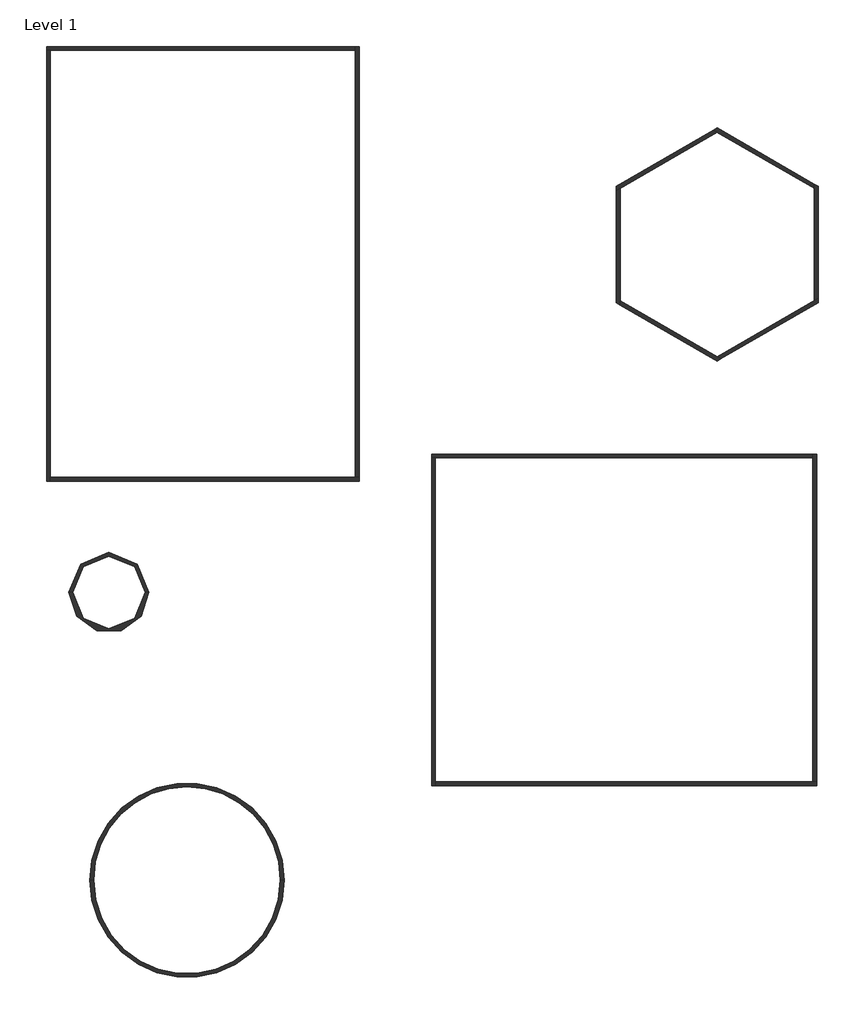
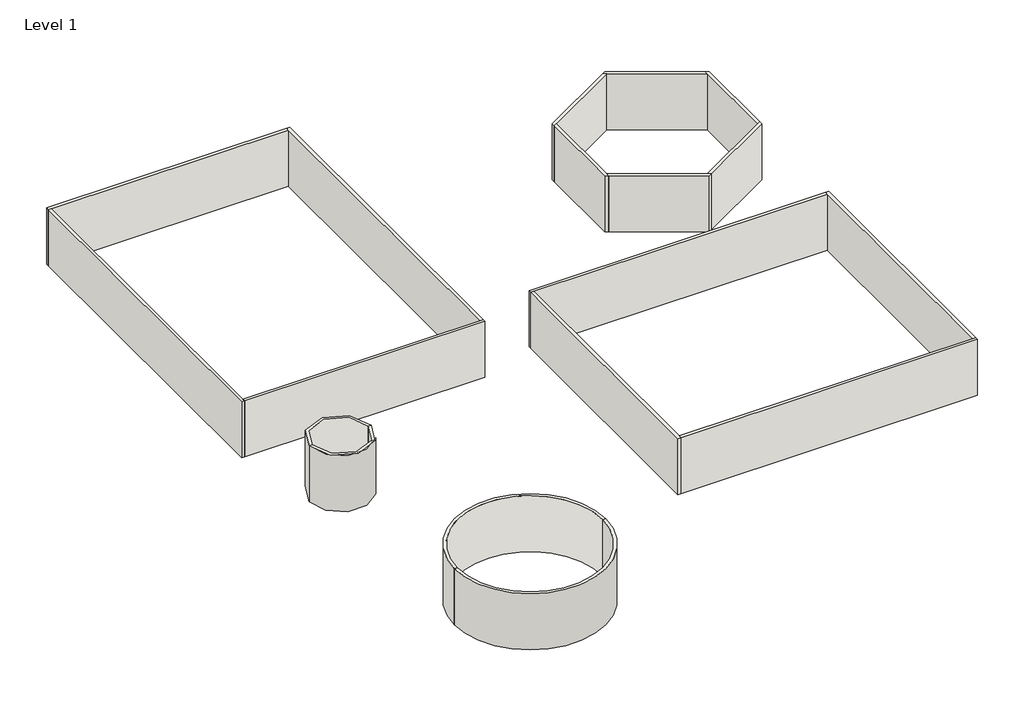
# One storey: 18 walls.
"""IFC4 building model written with IfcOpenShell, lengths in millimetres."""

import ifcopenshell
import ifcopenshell.guid

model = None  # the IFC model being written
_history = None  # IfcOwnerHistory: only IFC2X3 demands one
_inside = {}  # id of a spatial element -> (the spatial element, [elements in it])
_under = {}  # id of a project, library or spatial element -> (it, [spatial elements below it])
_declared = {}  # id of a project -> (the project, [libraries it declares])
_typed = {}  # id of a type object -> (the type object, [elements of that type])
_made_of = {}  # id of a material, layer set ... -> (it, [elements and type objects made of it])


def new_model(schema):
    """Start an empty IFC model of exactly this schema.

    Asked for "IFC4X3", IfcOpenShell would pick the latest addendum, in which some entities
    have other attributes; the version numbers below select the first issue.
    IFC2X3 requires an IfcOwnerHistory on every rooted entity: one is made here for all.
    """
    global model, _history
    if schema == "IFC4X3":
        model = ifcopenshell.file(schema_version=(4, 3, 0, 0))
    else:
        model = ifcopenshell.file(schema=schema)
    _inside.clear()
    _under.clear()
    _declared.clear()
    _typed.clear()
    _made_of.clear()
    _history = None
    if model.schema == "IFC2X3":
        org = make("IfcOrganization", Name="unknown")
        user = make(
            "IfcPersonAndOrganization",
            ThePerson=make("IfcPerson", FamilyName="unknown"),
            TheOrganization=org,
        )
        app = make(
            "IfcApplication",
            ApplicationDeveloper=org,
            Version="unknown",
            ApplicationFullName="unknown",
            ApplicationIdentifier="unknown",
        )
        _history = make(
            "IfcOwnerHistory",
            OwningUser=user,
            OwningApplication=app,
            ChangeAction="ADDED",
            CreationDate=0,
        )
    return model


def make(cls, **values):
    """One entity of the class cls with the attributes given. An attribute that is None is left unset."""
    return model.create_entity(
        cls, **{name: value for name, value in values.items() if value is not None}
    )


def rooted(cls, **values):
    """An entity with a GlobalId (a new one), such as an element, a storey or a relation."""
    return make(cls, GlobalId=ifcopenshell.guid.new(), OwnerHistory=_history, **values)


def si_unit(unit_type, name, prefix=None):
    """IfcSIUnit, for example si_unit("LENGTHUNIT", "METRE", prefix="MILLI")."""
    return make("IfcSIUnit", UnitType=unit_type, Prefix=prefix, Name=name)


def assignment(units):
    """IfcUnitAssignment: the units of a project."""
    return None if units is None else make("IfcUnitAssignment", Units=units)


def point(xyz):
    """IfcCartesianPoint."""
    return None if xyz is None else make("IfcCartesianPoint", Coordinates=xyz)


def direction(xyz):
    """IfcDirection."""
    return None if xyz is None else make("IfcDirection", DirectionRatios=xyz)


def frame(location, z_axis=None, x_axis=None):
    """IfcAxis2Placement3D, a coordinate frame: its origin and axes. An axis left out is left unset."""
    return make(
        "IfcAxis2Placement3D",
        Location=point(location),
        Axis=direction(z_axis),
        RefDirection=direction(x_axis),
    )


def frame_2d(location, x_axis=None):
    """IfcAxis2Placement2D, a coordinate frame in the plane: its origin and x axis."""
    return make(
        "IfcAxis2Placement2D", Location=point(location), RefDirection=direction(x_axis)
    )


def origin():
    """The frame at (0, 0, 0) with its axes left unset."""
    return frame((0.0, 0.0, 0.0))


def origin_with_axes():
    """The frame at (0, 0, 0) with the z axis (0, 0, 1) and the x axis (1, 0, 0) written out."""
    return frame((0.0, 0.0, 0.0), z_axis=(0.0, 0.0, 1.0), x_axis=(1.0, 0.0, 0.0))


def place(relative_to, where):
    """IfcLocalPlacement: puts the frame where relative to a parent placement (None: the world)."""
    return make(
        "IfcLocalPlacement", PlacementRelTo=relative_to, RelativePlacement=where
    )


def context(
    kind, dimensions, precision=None, world=None, true_north=None, identifier=None
):
    """IfcGeometricRepresentationContext, for example the 3D "Model" context."""
    return make(
        "IfcGeometricRepresentationContext",
        ContextIdentifier=identifier,
        ContextType=kind,
        CoordinateSpaceDimension=dimensions,
        Precision=precision,
        WorldCoordinateSystem=world,
        TrueNorth=true_north,
    )


def project(units=None, contexts=None):
    """IfcProject with its units and contexts."""
    return rooted(
        "IfcProject",
        Name="project",
        RepresentationContexts=contexts,
        UnitsInContext=assignment(units),
    )


def spatial(cls, under=None, at=None, **own):
    """A site, building, storey or space (cls), placed at a placement, below another one or the project."""
    s = rooted(cls, ObjectPlacement=at, **own)
    if under is not None:
        _under.setdefault(under.id(), (under, []))[1].append(s)
    return s


def polyline(points):
    """IfcPolyline through the points."""
    return make("IfcPolyline", Points=[point(p) for p in points])


def circle_curve(where, radius):
    """IfcCircle in the frame where."""
    return make("IfcCircle", Position=where, Radius=radius)


def trimmed(basis, trim1, trim2, sense, master):
    """IfcTrimmedCurve: the piece of a basis curve between two trims."""
    return make(
        "IfcTrimmedCurve",
        BasisCurve=basis,
        Trim1=trim1,
        Trim2=trim2,
        SenseAgreement=sense,
        MasterRepresentation=master,
    )


def segment(curve, same_sense, transition):
    """IfcCompositeCurveSegment."""
    return make(
        "IfcCompositeCurveSegment",
        Transition=transition,
        SameSense=same_sense,
        ParentCurve=curve,
    )


def composite_curve(segments, self_intersect=None):
    """IfcCompositeCurve: segments joined end to end."""
    return make("IfcCompositeCurve", Segments=segments, SelfIntersect=self_intersect)


def outline(outer, holes=None, kind="AREA"):
    """IfcArbitraryClosedProfileDef: a profile drawn as a closed curve; with holes, ...WithVoids."""
    if holes is None:
        return make("IfcArbitraryClosedProfileDef", ProfileType=kind, OuterCurve=outer)
    return make(
        "IfcArbitraryProfileDefWithVoids",
        ProfileType=kind,
        OuterCurve=outer,
        InnerCurves=holes,
    )


def extrude(swept, where, along, depth):
    """IfcExtrudedAreaSolid: the profile swept, set in the frame where, extruded along a direction by depth."""
    return make(
        "IfcExtrudedAreaSolid",
        SweptArea=swept,
        Position=where,
        ExtrudedDirection=direction(along),
        Depth=depth,
    )


def faces_of(points, faces, orient=None, outer=None):
    """IfcFace entities. A face is a list of loops; a loop is a list of indices into points, from 0.

    orient and outer hold one flag for each loop. By default every Orientation is true, the
    first loop of a face is its IfcFaceOuterBound and the others are IfcFaceBound.
    """
    made = []
    for i, loops in enumerate(faces):
        bounds = []
        for j, loop in enumerate(loops):
            is_outer = j == 0 if outer is None else outer[i][j]
            bounds.append(
                make(
                    "IfcFaceOuterBound" if is_outer else "IfcFaceBound",
                    Bound=make("IfcPolyLoop", Polygon=[points[k] for k in loop]),
                    Orientation=True if orient is None else orient[i][j],
                )
            )
        made.append(make("IfcFace", Bounds=bounds))
    return made


def faceted_brep(points, faces, orient=None, outer=None, voids=None):
    """IfcFacetedBrep: a solid bounded by flat faces; with voids (closed shells), ...WithVoids."""
    shared = [point(p) for p in points]
    hull = make("IfcClosedShell", CfsFaces=faces_of(shared, faces, orient, outer))
    if voids is None:
        return make("IfcFacetedBrep", Outer=hull)
    return make(
        "IfcFacetedBrepWithVoids",
        Outer=hull,
        Voids=[
            make(cls, CfsFaces=faces_of(shared, fs, o, b)) for cls, fs, o, b in voids
        ],
    )


def shape(context_of_items, identifier, shape_type, items):
    """IfcShapeRepresentation: the items that make up one representation, for example the "Body"."""
    return make(
        "IfcShapeRepresentation",
        ContextOfItems=context_of_items,
        RepresentationIdentifier=identifier,
        RepresentationType=shape_type,
        Items=items,
    )


def made_of(thing, what):
    """Note that an element or type object is made of a material, layer set ...; save() writes the relation."""
    if what is not None:
        _made_of.setdefault(what.id(), (what, []))[1].append(thing)
    return thing


def element(
    cls,
    number,
    at=None,
    inside=None,
    cuts=None,
    type_object=None,
    material=None,
    context=None,
    identifier="Body",
    shape_type=None,
    held_by="IfcProductDefinitionShape",
    body=None,
    shapes=None,
    **own,
):
    """One element of the class cls, such as IfcWall. Its Tag is "e" and its number.

    at: its placement. inside: the storey or other place that contains it. cuts: it is an
    opening in that element (IfcRelVoidsElement). A single representation is given by context,
    identifier, shape_type and body (its items); several are given by shapes. held_by: the class
    of the entity that holds the representations. save() writes the other relations.
    """
    e = rooted(cls, Tag="e%d" % number, ObjectPlacement=at, **own)
    if body is not None:
        shapes = [shape(context, identifier, shape_type, body)]
    if shapes is not None:
        e.Representation = make(held_by, Representations=shapes)
    if inside is not None:
        _inside.setdefault(inside.id(), (inside, []))[1].append(e)
    if cuts is not None:
        rooted(
            "IfcRelVoidsElement", RelatingBuildingElement=cuts, RelatedOpeningElement=e
        )
    if type_object is not None:
        _typed.setdefault(type_object.id(), (type_object, []))[1].append(e)
    return made_of(e, material)


def aggregate(whole, parts):
    """IfcRelAggregates: a whole, such as a stair, and the parts it consists of."""
    return rooted("IfcRelAggregates", RelatingObject=whole, RelatedObjects=parts)


def save(model, path):
    """Write the relations noted so far, then the file.

    IfcRelAggregates (storeys below a building ...), IfcRelContainedInSpatialStructure (elements
    in a storey), IfcRelDefinesByType, IfcRelAssociatesMaterial and IfcRelDeclares: one each for
    every whole, place, type object, material and project.
    """
    for whole, parts in _under.values():
        aggregate(whole, parts)
    for where, things in _inside.values():
        rooted(
            "IfcRelContainedInSpatialStructure",
            RelatedElements=things,
            RelatingStructure=where,
        )
    for kind, things in _typed.values():
        rooted("IfcRelDefinesByType", RelatedObjects=things, RelatingType=kind)
    for what, things in _made_of.values():
        rooted("IfcRelAssociatesMaterial", RelatedObjects=things, RelatingMaterial=what)
    for by, libraries in _declared.values():
        rooted("IfcRelDeclares", RelatingContext=by, RelatedDefinitions=libraries)
    model.write(path)


model = new_model("IFC4")

# Units and contexts
model_context = context("Model", 3, world=origin())
ifc_project = project(units=[si_unit("LENGTHUNIT", "METRE", prefix="MILLI")], contexts=[model_context])

# Site, building, storey
site = spatial("IfcSite", under=ifc_project)
building = spatial("IfcBuilding", under=site)
storey = spatial("IfcBuildingStorey", under=building, Name="Level 1", Elevation=0.0)

# Walls
placement = place(None, origin())
element("IfcWall", 1, ObjectType="Generic - 200mm", at=placement, inside=storey, context=model_context, shape_type="Brep", body=[
    faceted_brep([(-24987.8936436, 23804.1973139, 0.0), (-24787.8936436, 23804.1973139, 0.0), (-8787.8936436, 23804.1973139, 0.0), (-8787.8936436, 23804.1973139, 4000.0), (-24787.8936436, 23804.1973139, 4000.0), (-24987.8936436, 23804.1973139, 4000.0), (-24987.8936436, 24004.1973139, 0.0), (-24987.8936436, 24004.1973139, 4000.0), (-8787.8936436, 24004.1973139, 4000.0), (-8787.8936436, 24004.1973139, 0.0)], [[[0, 1, 2, 3, 4, 5]], [[6, 7, 8, 9]], [[2, 1, 0, 6, 9]], [[5, 4, 3, 8, 7]], [[0, 5, 7, 6]], [[3, 2, 9, 8]]]),
])
element("IfcWall", 2, ObjectType="Generic - 200mm", at=placement, inside=storey, context=model_context, shape_type="Brep", body=[
    faceted_brep([(-24787.8936436, 1204.1973139, 0.0), (-24787.8936436, 1404.1973139, 0.0), (-24787.8936436, 23804.1973139, 0.0), (-24787.8936436, 23804.1973139, 4000.0), (-24787.8936436, 1404.1973139, 4000.0), (-24787.8936436, 1204.1973139, 4000.0), (-24987.8936436, 1204.1973139, 0.0), (-24987.8936436, 1204.1973139, 4000.0), (-24987.8936436, 23804.1973139, 4000.0), (-24987.8936436, 23804.1973139, 0.0)], [[[0, 1, 2, 3, 4, 5]], [[6, 7, 8, 9]], [[2, 1, 0, 6, 9]], [[5, 4, 3, 8, 7]], [[0, 5, 7, 6]], [[3, 2, 9, 8]]]),
])
element("IfcWall", 3, ObjectType="Generic - 200mm", at=placement, inside=storey, context=model_context, shape_type="Brep", body=[
    faceted_brep([(-8587.8936436, 1404.1973139, 0.0), (-8787.8936436, 1404.1973139, 0.0), (-24787.8936436, 1404.1973139, 0.0), (-24787.8936436, 1404.1973139, 4000.0), (-8787.8936436, 1404.1973139, 4000.0), (-8587.8936436, 1404.1973139, 4000.0), (-8587.8936436, 1204.1973139, 0.0), (-8587.8936436, 1204.1973139, 4000.0), (-24787.8936436, 1204.1973139, 4000.0), (-24787.8936436, 1204.1973139, 0.0)], [[[0, 1, 2, 3, 4, 5]], [[6, 7, 8, 9]], [[2, 1, 0, 6, 9]], [[5, 4, 3, 8, 7]], [[0, 5, 7, 6]], [[3, 2, 9, 8]]]),
])
element("IfcWall", 4, ObjectType="Generic - 200mm", at=placement, inside=storey, context=model_context, shape_type="Brep", body=[
    faceted_brep([(-8787.8936436, 24004.1973139, 0.0), (-8787.8936436, 23804.1973139, 0.0), (-8787.8936436, 1404.1973139, 0.0), (-8787.8936436, 1404.1973139, 4000.0), (-8787.8936436, 23804.1973139, 4000.0), (-8787.8936436, 24004.1973139, 4000.0), (-8587.8936436, 24004.1973139, 0.0), (-8587.8936436, 24004.1973139, 4000.0), (-8587.8936436, 1404.1973139, 4000.0), (-8587.8936436, 1404.1973139, 0.0)], [[[0, 1, 2, 3, 4, 5]], [[6, 7, 8, 9]], [[2, 1, 0, 6, 9]], [[5, 4, 3, 8, 7]], [[0, 5, 7, 6]], [[3, 2, 9, 8]]]),
])
element("IfcWall", 5, ObjectType="Generic - 200mm", at=placement, inside=storey, context=model_context, shape_type="Brep", body=[
    faceted_brep([(-4787.8936436, 2429.9451165, 0.0), (-4587.8936436, 2429.9451165, 0.0), (15212.1063564, 2429.9451165, 0.0), (15212.1063564, 2429.9451165, 4000.0), (-4587.8936436, 2429.9451165, 4000.0), (-4787.8936436, 2429.9451165, 4000.0), (-4787.8936436, 2629.9451165, 0.0), (-4787.8936436, 2629.9451165, 4000.0), (15212.1063564, 2629.9451165, 4000.0), (15212.1063564, 2629.9451165, 0.0)], [[[0, 1, 2, 3, 4, 5]], [[6, 7, 8, 9]], [[2, 1, 0, 6, 9]], [[5, 4, 3, 8, 7]], [[0, 5, 7, 6]], [[3, 2, 9, 8]]]),
])
element("IfcWall", 6, ObjectType="Generic - 200mm", at=placement, inside=storey, context=model_context, shape_type="Brep", body=[
    faceted_brep([(-4587.8936436, -14770.0548835, 0.0), (-4587.8936436, -14570.0548835, 0.0), (-4587.8936436, 2429.9451165, 0.0), (-4587.8936436, 2429.9451165, 4000.0), (-4587.8936436, -14570.0548835, 4000.0), (-4587.8936436, -14770.0548835, 4000.0), (-4787.8936436, -14770.0548835, 0.0), (-4787.8936436, -14770.0548835, 4000.0), (-4787.8936436, 2429.9451165, 4000.0), (-4787.8936436, 2429.9451165, 0.0)], [[[0, 1, 2, 3, 4, 5]], [[6, 7, 8, 9]], [[2, 1, 0, 6, 9]], [[5, 4, 3, 8, 7]], [[0, 5, 7, 6]], [[3, 2, 9, 8]]]),
])
element("IfcWall", 7, ObjectType="Generic - 200mm", at=placement, inside=storey, context=model_context, shape_type="Brep", body=[
    faceted_brep([(15412.1063564, -14570.0548835, 0.0), (15212.1063564, -14570.0548835, 0.0), (-4587.8936436, -14570.0548835, 0.0), (-4587.8936436, -14570.0548835, 4000.0), (15212.1063564, -14570.0548835, 4000.0), (15412.1063564, -14570.0548835, 4000.0), (15412.1063564, -14770.0548835, 0.0), (15412.1063564, -14770.0548835, 4000.0), (-4587.8936436, -14770.0548835, 4000.0), (-4587.8936436, -14770.0548835, 0.0)], [[[0, 1, 2, 3, 4, 5]], [[6, 7, 8, 9]], [[2, 1, 0, 6, 9]], [[5, 4, 3, 8, 7]], [[0, 5, 7, 6]], [[3, 2, 9, 8]]]),
])
element("IfcWall", 8, ObjectType="Generic - 200mm", at=placement, inside=storey, context=model_context, shape_type="Brep", body=[
    faceted_brep([(15212.1063564, 2629.9451165, 0.0), (15212.1063564, 2429.9451165, 0.0), (15212.1063564, -14570.0548835, 0.0), (15212.1063564, -14570.0548835, 4000.0), (15212.1063564, 2429.9451165, 4000.0), (15212.1063564, 2629.9451165, 4000.0), (15412.1063564, 2629.9451165, 0.0), (15412.1063564, 2629.9451165, 4000.0), (15412.1063564, -14570.0548835, 4000.0), (15412.1063564, -14570.0548835, 0.0)], [[[0, 1, 2, 3, 4, 5]], [[6, 7, 8, 9]], [[2, 1, 0, 6, 9]], [[5, 4, 3, 8, 7]], [[0, 5, 7, 6]], [[3, 2, 9, 8]]]),
])
element("IfcWall", 9, ObjectType="Generic - 200mm", at=placement, inside=storey, context=model_context, shape_type="Brep", body=[
    faceted_brep([(4891.8000775, 16446.0071611, 0.0), (4891.8000775, 10561.4772149, 0.0), (4891.8000775, 10561.4772149, 4000.0), (4891.8000775, 16446.0071611, 4000.0), (5091.8000775, 16561.4772149, 0.0), (5091.8000775, 16561.4772149, 4000.0), (5091.8000775, 10676.9472688, 4000.0), (5091.8000775, 10446.0071611, 4000.0), (5091.8000775, 10446.0071611, 0.0), (5091.8000775, 10676.9472688, 0.0)], [[[0, 1, 2, 3]], [[4, 5, 6, 7, 8, 9]], [[1, 0, 4, 9, 8]], [[3, 2, 7, 6, 5]], [[2, 1, 8, 7]], [[0, 3, 5, 4]]]),
])
element("IfcWall", 10, ObjectType="Generic - 200mm", at=placement, inside=storey, context=model_context, shape_type="Brep", body=[
    faceted_brep([(5091.8000775, 10446.0071611, 0.0), (10187.9525002, 7503.742188, 0.0), (10187.9525002, 7503.742188, 4000.0), (5091.8000775, 10446.0071611, 4000.0), (5091.8000775, 10676.9472688, 0.0), (5091.8000775, 10676.9472688, 4000.0), (10187.9525002, 7734.6822957, 4000.0), (10387.9525002, 7619.2122419, 4000.0), (10387.9525002, 7619.2122419, 0.0), (10187.9525002, 7734.6822957, 0.0)], [[[0, 1, 2, 3]], [[4, 5, 6, 7, 8, 9]], [[1, 0, 4, 9, 8]], [[3, 2, 7, 6, 5]], [[2, 1, 8, 7]], [[0, 3, 5, 4]]]),
])
element("IfcWall", 11, ObjectType="Generic - 200mm", at=placement, inside=storey, context=model_context, shape_type="Brep", body=[
    faceted_brep([(10387.9525002, 7619.2122419, 0.0), (15484.1049229, 10561.4772149, 0.0), (15484.1049229, 10561.4772149, 4000.0), (10387.9525002, 7619.2122419, 4000.0), (10187.9525002, 7734.6822957, 0.0), (10187.9525002, 7734.6822957, 4000.0), (15284.1049229, 10676.9472688, 4000.0), (15484.1049229, 10792.4173226, 4000.0), (15484.1049229, 10792.4173226, 0.0), (15284.1049229, 10676.9472688, 0.0)], [[[0, 1, 2, 3]], [[4, 5, 6, 7, 8, 9]], [[1, 0, 4, 9, 8]], [[3, 2, 7, 6, 5]], [[2, 1, 8, 7]], [[0, 3, 5, 4]]]),
])
element("IfcWall", 12, ObjectType="Generic - 200mm", at=placement, inside=storey, context=model_context, shape_type="Brep", body=[
    faceted_brep([(15484.1049229, 10792.4173226, 0.0), (15484.1049229, 16676.9472688, 0.0), (15484.1049229, 16676.9472688, 4000.0), (15484.1049229, 10792.4173226, 4000.0), (15284.1049229, 10676.9472688, 0.0), (15284.1049229, 10676.9472688, 4000.0), (15284.1049229, 16561.4772149, 4000.0), (15284.1049229, 16792.4173226, 4000.0), (15284.1049229, 16792.4173226, 0.0), (15284.1049229, 16561.4772149, 0.0)], [[[0, 1, 2, 3]], [[4, 5, 6, 7, 8, 9]], [[1, 0, 4, 9, 8]], [[3, 2, 7, 6, 5]], [[2, 1, 8, 7]], [[0, 3, 5, 4]]]),
])
element("IfcWall", 13, ObjectType="Generic - 200mm", at=placement, inside=storey, context=model_context, shape_type="Brep", body=[
    faceted_brep([(15284.1049229, 16792.4173226, 0.0), (10187.9525002, 19734.6822957, 0.0), (10187.9525002, 19734.6822957, 4000.0), (15284.1049229, 16792.4173226, 4000.0), (15284.1049229, 16561.4772149, 0.0), (15284.1049229, 16561.4772149, 4000.0), (10187.9525002, 19503.742188, 4000.0), (9987.9525002, 19619.2122419, 4000.0), (9987.9525002, 19619.2122419, 0.0), (10187.9525002, 19503.742188, 0.0)], [[[0, 1, 2, 3]], [[4, 5, 6, 7, 8, 9]], [[1, 0, 4, 9, 8]], [[3, 2, 7, 6, 5]], [[2, 1, 8, 7]], [[0, 3, 5, 4]]]),
])
element("IfcWall", 14, ObjectType="Generic - 200mm", at=placement, inside=storey, context=model_context, shape_type="Brep", body=[
    faceted_brep([(9987.9525002, 19619.2122419, 0.0), (4891.8000775, 16676.9472688, 0.0), (4891.8000775, 16676.9472688, 4000.0), (9987.9525002, 19619.2122419, 4000.0), (10187.9525002, 19503.742188, 0.0), (10187.9525002, 19503.742188, 4000.0), (5091.8000775, 16561.4772149, 4000.0), (4891.8000775, 16446.0071611, 4000.0), (4891.8000775, 16446.0071611, 0.0), (5091.8000775, 16561.4772149, 0.0)], [[[0, 1, 2, 3]], [[4, 5, 6, 7, 8, 9]], [[1, 0, 4, 9, 8]], [[3, 2, 7, 6, 5]], [[2, 1, 8, 7]], [[0, 3, 5, 4]]]),
])
element("IfcWall", 15, ObjectType="Generic - 200mm", at=placement, inside=storey, context=model_context, shape_type="SweptSolid", body=[
    extrude(outline(composite_curve([segment(polyline([(-22523.4120294, -19725.0262882), (-22723.4120294, -19725.0262882)]), True, "CONTINUOUS"), segment(trimmed(circle_curve(frame_2d((-17623.4120294, -19725.0262882)), 5100.0), [point((-22723.4120294, -19725.0262882))], [point((-12523.4120294, -19725.0262882))], False, "CARTESIAN"), True, "CONTINUOUS"), segment(polyline([(-12523.4120294, -19725.0262882), (-12723.4120294, -19725.0262882)]), True, "CONTINUOUS"), segment(trimmed(circle_curve(frame_2d((-17623.4120294, -19725.0262882)), 4900.0), [point((-12723.4120294, -19725.0262882))], [point((-22523.4120294, -19725.0262882))], True, "CARTESIAN"), True, "CONTINUOUS")], self_intersect=False)), origin_with_axes(), (0.0, 0.0, 1.0), 4000.0),
])
element("IfcWall", 16, ObjectType="Generic - 200mm", at=placement, inside=storey, context=model_context, shape_type="SweptSolid", body=[
    extrude(outline(composite_curve([segment(polyline([(-12723.4120294, -19725.0262882), (-12523.4120294, -19725.0262882)]), True, "CONTINUOUS"), segment(trimmed(circle_curve(frame_2d((-17623.4120294, -19725.0262882)), 5100.0), [point((-12523.4120294, -19725.0262882))], [point((-22723.4120294, -19725.0262882))], False, "CARTESIAN"), True, "CONTINUOUS"), segment(polyline([(-22723.4120294, -19725.0262882), (-22523.4120294, -19725.0262882)]), True, "CONTINUOUS"), segment(trimmed(circle_curve(frame_2d((-17623.4120294, -19725.0262882)), 4900.0), [point((-22523.4120294, -19725.0262882))], [point((-12723.4120294, -19725.0262882))], True, "CARTESIAN"), True, "CONTINUOUS")], self_intersect=False)), origin_with_axes(), (0.0, 0.0, 1.0), 4000.0),
])
element("IfcWall", 17, ObjectType="Generic - 200mm", at=placement, inside=storey, context=model_context, shape_type="SweptSolid", body=[
    extrude(outline(composite_curve([segment(polyline([(-23615.7396642, -4631.6282444), (-23815.7396642, -4631.6282444)]), True, "CONTINUOUS"), segment(trimmed(circle_curve(frame_2d((-21715.7396642, -4631.6282444)), 2100.0), [point((-23815.7396642, -4631.6282444))], [point((-19615.7396642, -4631.6282444))], False, "CARTESIAN"), True, "CONTINUOUS"), segment(polyline([(-19615.7396642, -4631.6282444), (-19815.7396642, -4631.6282444)]), True, "CONTINUOUS"), segment(trimmed(circle_curve(frame_2d((-21715.7396642, -4631.6282444)), 1900.0), [point((-19815.7396642, -4631.6282444))], [point((-23615.7396642, -4631.6282444))], True, "CARTESIAN"), True, "CONTINUOUS")], self_intersect=False)), origin_with_axes(), (0.0, 0.0, 1.0), 4000.0),
])
element("IfcWall", 18, ObjectType="Generic - 200mm", at=placement, inside=storey, context=model_context, shape_type="SweptSolid", body=[
    extrude(outline(composite_curve([segment(polyline([(-19815.7396642, -4631.6282444), (-19615.7396642, -4631.6282444)]), True, "CONTINUOUS"), segment(trimmed(circle_curve(frame_2d((-21715.7396642, -4631.6282444)), 2100.0), [point((-19615.7396642, -4631.6282444))], [point((-23815.7396642, -4631.6282444))], False, "CARTESIAN"), True, "CONTINUOUS"), segment(polyline([(-23815.7396642, -4631.6282444), (-23615.7396642, -4631.6282444)]), True, "CONTINUOUS"), segment(trimmed(circle_curve(frame_2d((-21715.7396642, -4631.6282444)), 1900.0), [point((-23615.7396642, -4631.6282444))], [point((-19815.7396642, -4631.6282444))], True, "CARTESIAN"), True, "CONTINUOUS")], self_intersect=False)), origin_with_axes(), (0.0, 0.0, 1.0), 4000.0),
])

save(model, "model.ifc")
